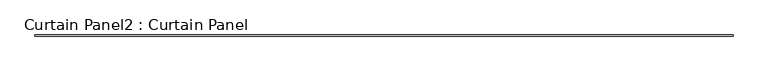
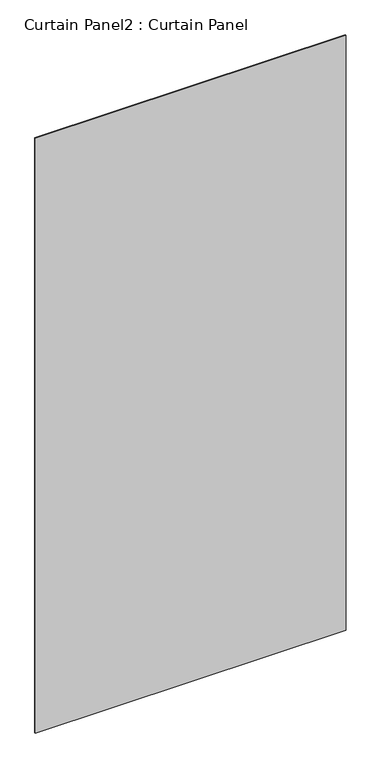
"""IFC4 building model written with IfcOpenShell, lengths in millimetres: plate geometry, Curtain Panel2 : Curtain Panel."""

from ifc_helpers import new_model, si_unit, frame, origin, place, context, project, spatial, polyline, outline, extrude, source, transform, mapped, element, save


def curtain_panel2_curtain_panel_03e1ab2f(model_context):
    return source(origin(), model_context, "Body", "SweptSolid", [
        extrude(outline(polyline([(69303.5949005, 2969.9604768), (66428.020976, 2969.9604768), (66428.020976, 2976.3104768), (69303.5949005, 2976.3104768), (69303.5949005, 2969.9604768)])), frame((0.0, 0.0, -710.3867968), z_axis=(0.0, 0.0, 1.0), x_axis=(1.0, 0.0, 0.0)), (0.0, 0.0, 1.0), 5813.4109864),
    ])


if __name__ == "__main__":
    model = new_model("IFC4")
    model_context = context("Model", 3, world=origin())
    ifc_project = project(units=[si_unit("LENGTHUNIT", "METRE", prefix="MILLI")], contexts=[model_context])
    site = spatial("IfcSite", under=ifc_project)
    building = spatial("IfcBuilding", under=site)
    placement = place(None, origin())
    curtain_panel2_curtain_panel_shape = curtain_panel2_curtain_panel_03e1ab2f(model_context)
    element("IfcPlate", 1, ObjectType="Curtain Panel2 : Curtain Panel", at=placement, inside=building, context=model_context, shape_type="MappedRepresentation", body=[
        mapped(curtain_panel2_curtain_panel_shape, transform((0.0, 0.0, 0.0), x_axis=(1.0, 0.0, 0.0), y_axis=(0.0, 1.0, 0.0), z_axis=(0.0, 0.0, 1.0))),
    ])
    save(model, "model.ifc")
